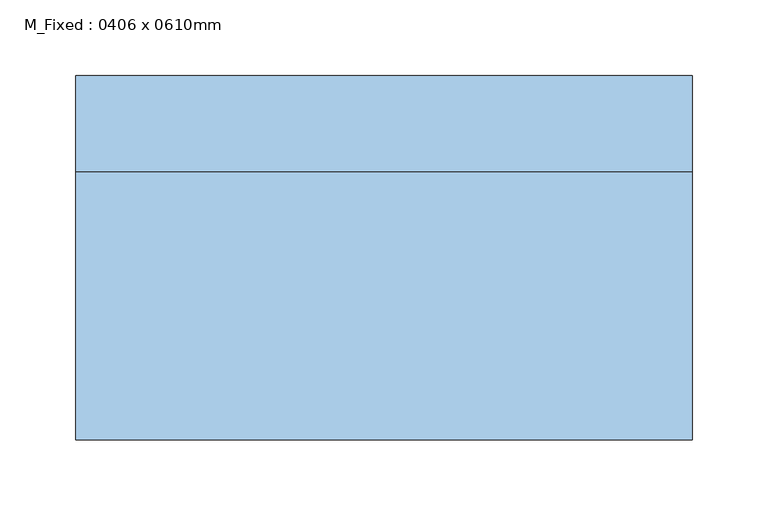
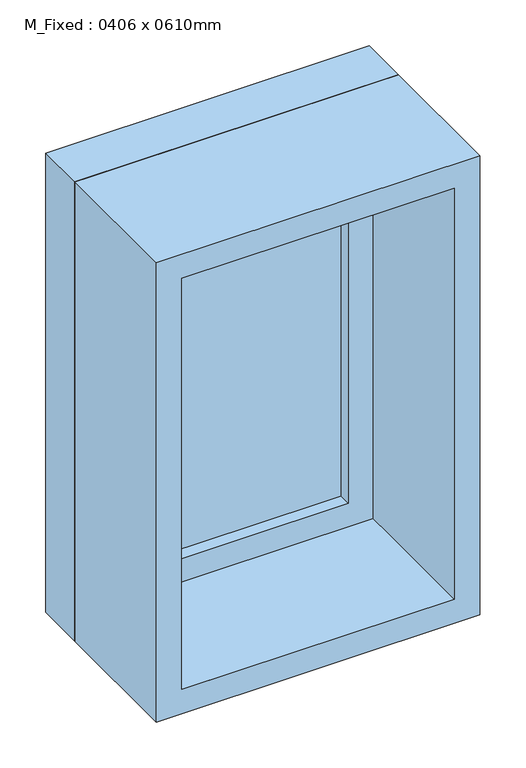
"""IFC4 building model written with IfcOpenShell, lengths in millimetres: window geometry, M_Fixed : 0406 x 0610mm."""

from ifc_helpers import new_model, si_unit, frame, origin, place, context, project, spatial, polyline, outline, extrude, source, transform, mapped, element, save


def m_fixed_0406_x_0610mm_f5dc6f21(model_context):
    return source(origin(), model_context, "Body", "SweptSolid", [
        extrude(outline(polyline([(-140.0, 98.0), (140.0, 98.0), (140.0, 86.0), (-140.0, 86.0), (-140.0, 98.0)])), frame((0.0, 0.0, 978.0), z_axis=(0.0, 0.0, 1.0), x_axis=(1.0, 0.0, 0.0)), (0.0, 0.0, 1.0), 484.0),
        extrude(outline(polyline([(1506.0, -184.0), (934.0, -184.0), (934.0, 184.0), (1506.0, 184.0), (1506.0, -184.0)]), holes=[polyline([(1462.0, -140.0), (1462.0, 140.0), (978.0, 140.0), (978.0, -140.0), (1462.0, -140.0)])]), frame((0.0, 70.0, 0.0), z_axis=(0.0, 1.0, 0.0), x_axis=(0.0, 0.0, 1.0)), (0.0, 0.0, 1.0), 44.0),
        extrude(outline(polyline([(1525.0, -203.0), (915.0, -203.0), (915.0, 203.0), (1525.0, 203.0), (1525.0, -203.0)]), holes=[polyline([(1506.0, -184.0), (1506.0, 184.0), (934.0, 184.0), (934.0, -184.0), (1506.0, -184.0)])]), frame((0.0, 70.0, 0.0), z_axis=(0.0, 1.0, 0.0), x_axis=(0.0, 0.0, 1.0)), (0.0, 0.0, 1.0), 63.0),
        extrude(outline(polyline([(1525.0, -203.0), (915.0, -203.0), (915.0, 203.0), (1525.0, 203.0), (1525.0, -203.0)]), holes=[polyline([(1493.0, -171.0), (1493.0, 171.0), (947.0, 171.0), (947.0, -171.0), (1493.0, -171.0)])]), frame((0.0, -107.0, 0.0), z_axis=(0.0, 1.0, 0.0), x_axis=(0.0, 0.0, 1.0)), (0.0, 0.0, 1.0), 177.0),
    ])


if __name__ == "__main__":
    model = new_model("IFC4")
    model_context = context("Model", 3, world=origin())
    ifc_project = project(units=[si_unit("LENGTHUNIT", "METRE", prefix="MILLI")], contexts=[model_context])
    site = spatial("IfcSite", under=ifc_project)
    building = spatial("IfcBuilding", under=site)
    placement = place(None, origin())
    m_fixed_0406_x_0610mm_shape = m_fixed_0406_x_0610mm_f5dc6f21(model_context)
    element("IfcWindow", 1, ObjectType="M_Fixed : 0406 x 0610mm", at=placement, inside=building, context=model_context, shape_type="MappedRepresentation", body=[
        mapped(m_fixed_0406_x_0610mm_shape, transform((0.0, 0.0, 0.0), x_axis=(1.0, 0.0, 0.0), y_axis=(0.0, 1.0, 0.0), z_axis=(0.0, 0.0, 1.0))),
    ])
    save(model, "model.ifc")
